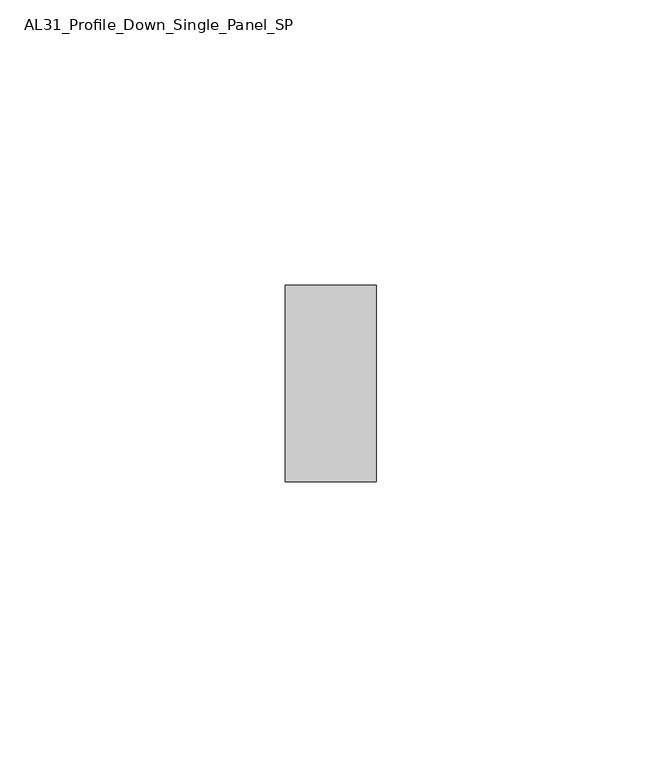
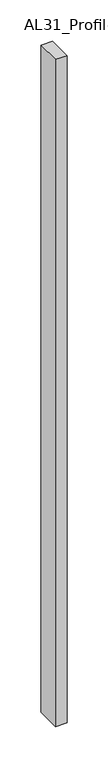
"""IFC4 building model written with IfcOpenShell, lengths in millimetres: member geometry, AL31_Profile_Down_Single_Panel_SP."""

from ifc_helpers import new_model, si_unit, frame, origin, place, context, project, spatial, polyline, outline, extrude, source, transform, mapped, element, save


def al31_profile_down_single_panel_sp_472e800d(model_context):
    return source(origin(), model_context, "Body", "SweptSolid", [
        extrude(outline(polyline([(0.0, 17.25), (0.0, -17.25), (-16.0, -17.25), (-16.0, 17.25), (0.0, 17.25)])), frame((0.0, 0.0, -984.9000012), z_axis=(0.0, 0.0, 1.0), x_axis=(1.0, 0.0, 0.0)), (0.0, 0.0, 1.0), 984.9000012),
    ])


if __name__ == "__main__":
    model = new_model("IFC4")
    model_context = context("Model", 3, world=origin())
    ifc_project = project(units=[si_unit("LENGTHUNIT", "METRE", prefix="MILLI")], contexts=[model_context])
    site = spatial("IfcSite", under=ifc_project)
    building = spatial("IfcBuilding", under=site)
    placement = place(None, origin())
    al31_profile_down_single_panel_sp_shape = al31_profile_down_single_panel_sp_472e800d(model_context)
    element("IfcMember", 1, ObjectType="AL31_Profile_Down_Single_Panel_SP", at=placement, inside=building, context=model_context, shape_type="MappedRepresentation", body=[
        mapped(al31_profile_down_single_panel_sp_shape, transform((0.0, 0.0, 0.0), x_axis=(1.0, 0.0, 0.0), y_axis=(0.0, 1.0, 0.0), z_axis=(0.0, 0.0, 1.0))),
    ])
    save(model, "model.ifc")
